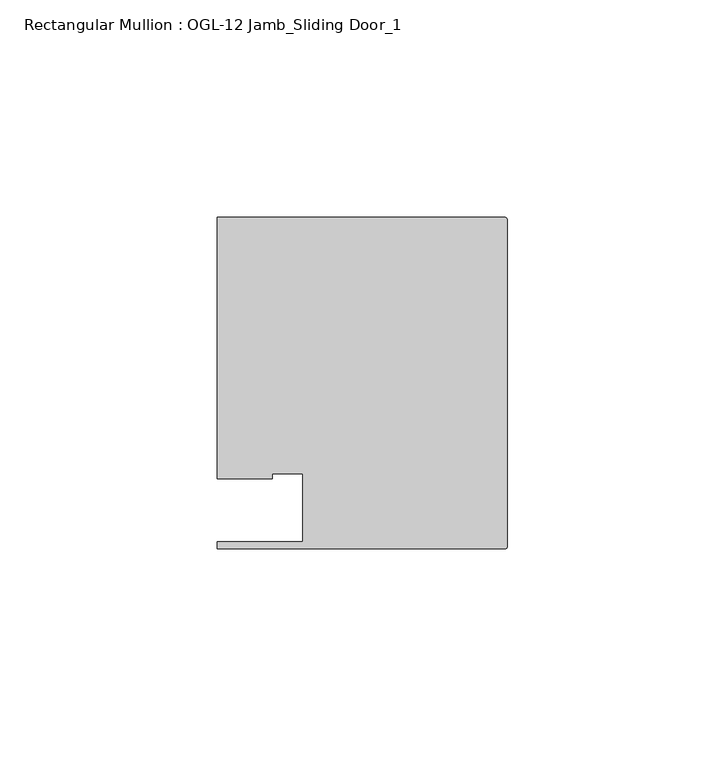
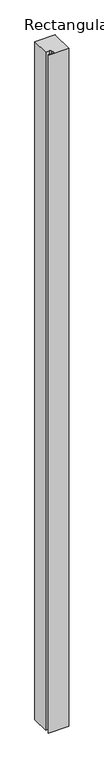
"""IFC4 building model written with IfcOpenShell, lengths in millimetres: member geometry, Rectangular Mullion : OGL-12 Jamb_Sliding Door_1."""

from ifc_helpers import new_model, si_unit, point, frame, frame_2d, origin, place, context, project, spatial, polyline, circle_curve, trimmed, segment, composite_curve, outline, extrude, source, transform, mapped, element, save


def rectangular_mullion_ogl_12_jamb_sliding_door_1_ecc35318(model_context):
    return source(origin(), model_context, "Body", "SweptSolid", [
        extrude(outline(composite_curve([segment(polyline([(-47.0121851, -36.512516), (-47.0121851, -20.8257348), (-54.0386602, -20.8257348), (-54.0386602, -21.9710976), (-66.6740655, -21.9710976), (-66.6740655, 38.0996792), (-0.5953125, 38.0996792)]), True, "CONTINUOUS"), segment(trimmed(circle_curve(frame_2d((-0.5953125, 37.5043667)), 0.5953125), [point((-0.5953125, 38.0996792))], [point((0.0, 37.5043667))], False, "CARTESIAN"), True, "CONTINUOUS"), segment(polyline([(0.0, 37.5043667), (0.0, -37.5047035)]), True, "CONTINUOUS"), segment(trimmed(circle_curve(frame_2d((-0.5953125, -37.5047035)), 0.5953125), [point((0.0, -37.5047035))], [point((-0.5953125, -38.100016))], False, "CARTESIAN"), True, "CONTINUOUS"), segment(polyline([(-0.5953125, -38.100016), (-66.6649711, -38.100016), (-66.6649711, -36.512516), (-47.0121851, -36.512516)]), True, "CONTINUOUS")], self_intersect=False)), frame((0.0, 0.0, -2339.4648576), z_axis=(0.0, 0.0, 1.0), x_axis=(1.0, 0.0, 0.0)), (0.0, 0.0, 1.0), 2339.4648576),
    ])


if __name__ == "__main__":
    model = new_model("IFC4")
    model_context = context("Model", 3, world=origin())
    ifc_project = project(units=[si_unit("LENGTHUNIT", "METRE", prefix="MILLI")], contexts=[model_context])
    site = spatial("IfcSite", under=ifc_project)
    building = spatial("IfcBuilding", under=site)
    placement = place(None, origin())
    rectangular_mullion_ogl_12_jamb_sliding_door_1_shape = rectangular_mullion_ogl_12_jamb_sliding_door_1_ecc35318(model_context)
    element("IfcMember", 1, ObjectType="Rectangular Mullion : OGL-12 Jamb_Sliding Door_1", at=placement, inside=building, context=model_context, shape_type="MappedRepresentation", body=[
        mapped(rectangular_mullion_ogl_12_jamb_sliding_door_1_shape, transform((0.0, 0.0, 0.0), x_axis=(1.0, 0.0, 0.0), y_axis=(0.0, 1.0, 0.0), z_axis=(0.0, 0.0, 1.0))),
    ])
    save(model, "model.ifc")
